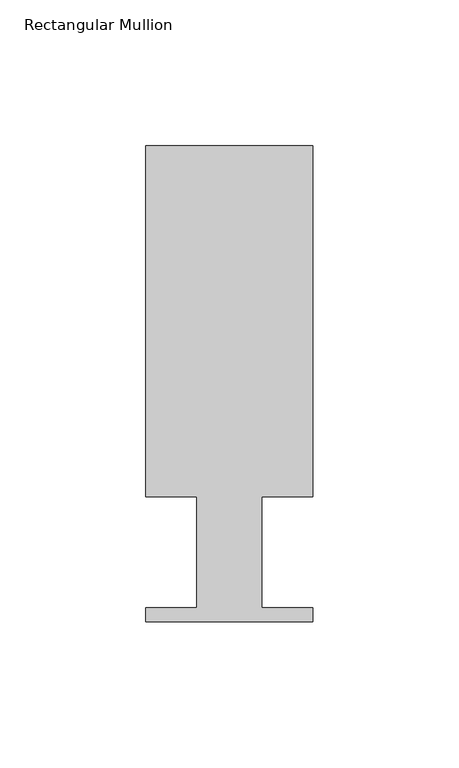
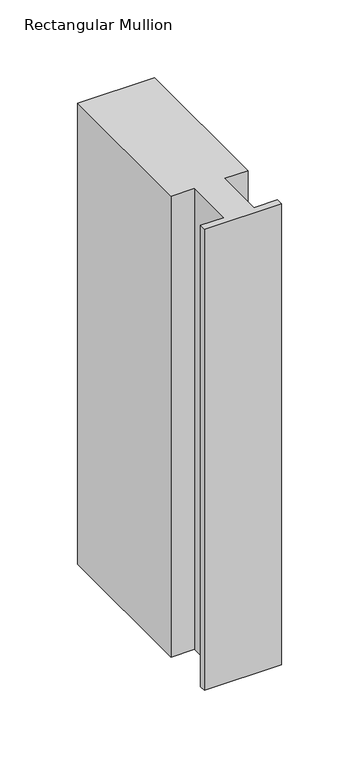
"""IFC4 building model written with IfcOpenShell, lengths in millimetres: member geometry, Rectangular Mullion."""

from ifc_helpers import new_model, si_unit, frame, origin, place, context, project, spatial, polyline, outline, extrude, source, transform, mapped, element, save


def rectangular_mullion_c3971271(model_context):
    return source(origin(), model_context, "Body", "SweptSolid", [
        extrude(outline(polyline([(0.0, 151.892), (0.0, 31.75), (-17.4752, 31.75), (-17.4752, -6.35), (0.0, -6.35), (0.0, -11.176), (-57.15, -11.176), (-57.15, -6.35), (-39.6875, -6.35), (-39.6875, 31.75), (-57.15, 31.75), (-57.15, 151.892), (0.0, 151.892)])), frame((0.0, 0.0, -361.95), z_axis=(0.0, 0.0, 1.0), x_axis=(1.0, 0.0, 0.0)), (0.0, 0.0, 1.0), 361.95),
    ])


if __name__ == "__main__":
    model = new_model("IFC4")
    model_context = context("Model", 3, world=origin())
    ifc_project = project(units=[si_unit("LENGTHUNIT", "METRE", prefix="MILLI")], contexts=[model_context])
    site = spatial("IfcSite", under=ifc_project)
    building = spatial("IfcBuilding", under=site)
    placement = place(None, origin())
    rectangular_mullion_shape = rectangular_mullion_c3971271(model_context)
    element("IfcMember", 1, ObjectType="Rectangular Mullion", at=placement, inside=building, context=model_context, shape_type="MappedRepresentation", body=[
        mapped(rectangular_mullion_shape, transform((0.0, 0.0, 0.0), x_axis=(1.0, 0.0, 0.0), y_axis=(0.0, 1.0, 0.0), z_axis=(0.0, 0.0, 1.0))),
    ])
    save(model, "model.ifc")
